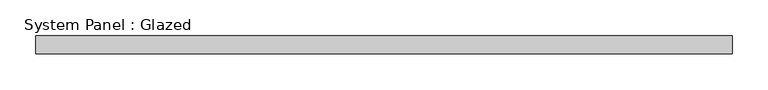
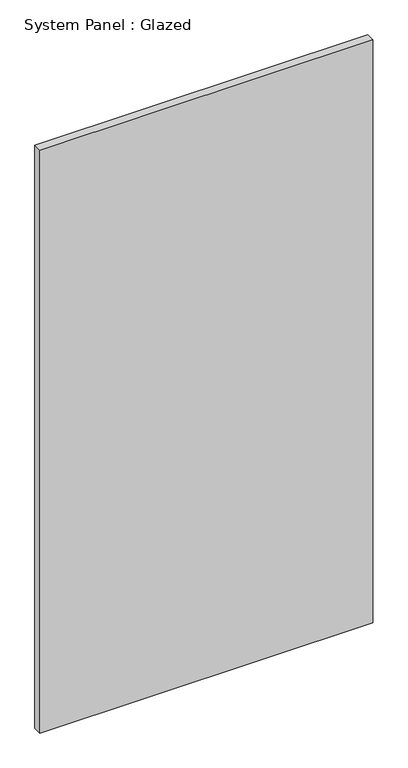
"""IFC4 building model written with IfcOpenShell, lengths in millimetres: plate geometry, System Panel : Glazed."""

from ifc_helpers import new_model, si_unit, origin, origin_with_axes, place, context, project, spatial, polyline, outline, extrude, source, transform, mapped, element, save


def system_panel_glazed_6af38a32(model_context):
    return source(origin(), model_context, "Body", "SweptSolid", [
        extrude(outline(polyline([(485.3387176, 24.5), (-485.3387176, 24.5), (-485.3387176, 49.5), (485.3387176, 49.5), (485.3387176, 24.5)])), origin_with_axes(), (0.0, 0.0, 1.0), 1797.2666321),
    ])


if __name__ == "__main__":
    model = new_model("IFC4")
    model_context = context("Model", 3, world=origin())
    ifc_project = project(units=[si_unit("LENGTHUNIT", "METRE", prefix="MILLI")], contexts=[model_context])
    site = spatial("IfcSite", under=ifc_project)
    building = spatial("IfcBuilding", under=site)
    placement = place(None, origin())
    system_panel_glazed_shape = system_panel_glazed_6af38a32(model_context)
    element("IfcPlate", 1, ObjectType="System Panel : Glazed", at=placement, inside=building, context=model_context, shape_type="MappedRepresentation", body=[
        mapped(system_panel_glazed_shape, transform((0.0, 0.0, 0.0), x_axis=(1.0, 0.0, 0.0), y_axis=(0.0, 1.0, 0.0), z_axis=(0.0, 0.0, 1.0))),
    ])
    save(model, "model.ifc")
